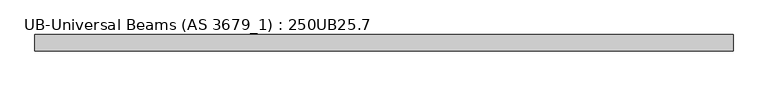
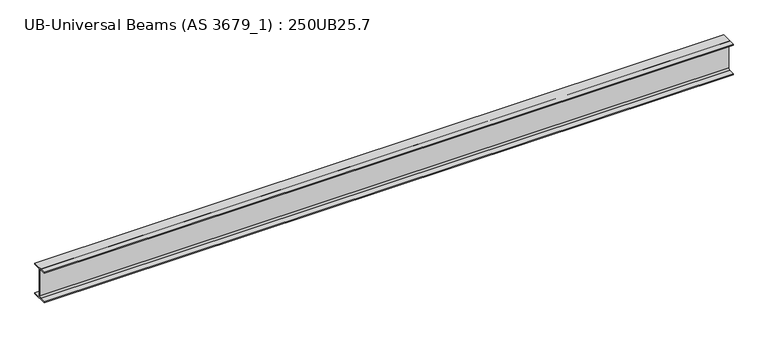
"""IFC4 building model written with IfcOpenShell, lengths in millimetres: beam geometry, UB-Universal Beams (AS 3679_1) : 250UB25.7."""

import ifcopenshell
import ifcopenshell.guid

model = None  # the IFC model being written
_history = None  # IfcOwnerHistory: only IFC2X3 demands one
_inside = {}  # id of a spatial element -> (the spatial element, [elements in it])
_under = {}  # id of a project, library or spatial element -> (it, [spatial elements below it])
_declared = {}  # id of a project -> (the project, [libraries it declares])
_typed = {}  # id of a type object -> (the type object, [elements of that type])
_made_of = {}  # id of a material, layer set ... -> (it, [elements and type objects made of it])


def new_model(schema):
    """Start an empty IFC model of exactly this schema.

    Asked for "IFC4X3", IfcOpenShell would pick the latest addendum, in which some entities
    have other attributes; the version numbers below select the first issue.
    IFC2X3 requires an IfcOwnerHistory on every rooted entity: one is made here for all.
    """
    global model, _history
    if schema == "IFC4X3":
        model = ifcopenshell.file(schema_version=(4, 3, 0, 0))
    else:
        model = ifcopenshell.file(schema=schema)
    _inside.clear()
    _under.clear()
    _declared.clear()
    _typed.clear()
    _made_of.clear()
    _history = None
    if model.schema == "IFC2X3":
        org = make("IfcOrganization", Name="unknown")
        user = make(
            "IfcPersonAndOrganization",
            ThePerson=make("IfcPerson", FamilyName="unknown"),
            TheOrganization=org,
        )
        app = make(
            "IfcApplication",
            ApplicationDeveloper=org,
            Version="unknown",
            ApplicationFullName="unknown",
            ApplicationIdentifier="unknown",
        )
        _history = make(
            "IfcOwnerHistory",
            OwningUser=user,
            OwningApplication=app,
            ChangeAction="ADDED",
            CreationDate=0,
        )
    return model


def make(cls, **values):
    """One entity of the class cls with the attributes given. An attribute that is None is left unset."""
    return model.create_entity(
        cls, **{name: value for name, value in values.items() if value is not None}
    )


def rooted(cls, **values):
    """An entity with a GlobalId (a new one), such as an element, a storey or a relation."""
    return make(cls, GlobalId=ifcopenshell.guid.new(), OwnerHistory=_history, **values)


def si_unit(unit_type, name, prefix=None):
    """IfcSIUnit, for example si_unit("LENGTHUNIT", "METRE", prefix="MILLI")."""
    return make("IfcSIUnit", UnitType=unit_type, Prefix=prefix, Name=name)


def assignment(units):
    """IfcUnitAssignment: the units of a project."""
    return None if units is None else make("IfcUnitAssignment", Units=units)


def point(xyz):
    """IfcCartesianPoint."""
    return None if xyz is None else make("IfcCartesianPoint", Coordinates=xyz)


def direction(xyz):
    """IfcDirection."""
    return None if xyz is None else make("IfcDirection", DirectionRatios=xyz)


def frame(location, z_axis=None, x_axis=None):
    """IfcAxis2Placement3D, a coordinate frame: its origin and axes. An axis left out is left unset."""
    return make(
        "IfcAxis2Placement3D",
        Location=point(location),
        Axis=direction(z_axis),
        RefDirection=direction(x_axis),
    )


def frame_2d(location, x_axis=None):
    """IfcAxis2Placement2D, a coordinate frame in the plane: its origin and x axis."""
    return make(
        "IfcAxis2Placement2D", Location=point(location), RefDirection=direction(x_axis)
    )


def origin():
    """The frame at (0, 0, 0) with its axes left unset."""
    return frame((0.0, 0.0, 0.0))


def place(relative_to, where):
    """IfcLocalPlacement: puts the frame where relative to a parent placement (None: the world)."""
    return make(
        "IfcLocalPlacement", PlacementRelTo=relative_to, RelativePlacement=where
    )


def context(
    kind, dimensions, precision=None, world=None, true_north=None, identifier=None
):
    """IfcGeometricRepresentationContext, for example the 3D "Model" context."""
    return make(
        "IfcGeometricRepresentationContext",
        ContextIdentifier=identifier,
        ContextType=kind,
        CoordinateSpaceDimension=dimensions,
        Precision=precision,
        WorldCoordinateSystem=world,
        TrueNorth=true_north,
    )


def project(units=None, contexts=None):
    """IfcProject with its units and contexts."""
    return rooted(
        "IfcProject",
        Name="project",
        RepresentationContexts=contexts,
        UnitsInContext=assignment(units),
    )


def spatial(cls, under=None, at=None, **own):
    """A site, building, storey or space (cls), placed at a placement, below another one or the project."""
    s = rooted(cls, ObjectPlacement=at, **own)
    if under is not None:
        _under.setdefault(under.id(), (under, []))[1].append(s)
    return s


def polyline(points):
    """IfcPolyline through the points."""
    return make("IfcPolyline", Points=[point(p) for p in points])


def circle_curve(where, radius):
    """IfcCircle in the frame where."""
    return make("IfcCircle", Position=where, Radius=radius)


def trimmed(basis, trim1, trim2, sense, master):
    """IfcTrimmedCurve: the piece of a basis curve between two trims."""
    return make(
        "IfcTrimmedCurve",
        BasisCurve=basis,
        Trim1=trim1,
        Trim2=trim2,
        SenseAgreement=sense,
        MasterRepresentation=master,
    )


def segment(curve, same_sense, transition):
    """IfcCompositeCurveSegment."""
    return make(
        "IfcCompositeCurveSegment",
        Transition=transition,
        SameSense=same_sense,
        ParentCurve=curve,
    )


def composite_curve(segments, self_intersect=None):
    """IfcCompositeCurve: segments joined end to end."""
    return make("IfcCompositeCurve", Segments=segments, SelfIntersect=self_intersect)


def outline(outer, holes=None, kind="AREA"):
    """IfcArbitraryClosedProfileDef: a profile drawn as a closed curve; with holes, ...WithVoids."""
    if holes is None:
        return make("IfcArbitraryClosedProfileDef", ProfileType=kind, OuterCurve=outer)
    return make(
        "IfcArbitraryProfileDefWithVoids",
        ProfileType=kind,
        OuterCurve=outer,
        InnerCurves=holes,
    )


def extrude(swept, where, along, depth):
    """IfcExtrudedAreaSolid: the profile swept, set in the frame where, extruded along a direction by depth."""
    return make(
        "IfcExtrudedAreaSolid",
        SweptArea=swept,
        Position=where,
        ExtrudedDirection=direction(along),
        Depth=depth,
    )


def shape(context_of_items, identifier, shape_type, items):
    """IfcShapeRepresentation: the items that make up one representation, for example the "Body"."""
    return make(
        "IfcShapeRepresentation",
        ContextOfItems=context_of_items,
        RepresentationIdentifier=identifier,
        RepresentationType=shape_type,
        Items=items,
    )


def source(mapping_origin, context_of_items, identifier, shape_type, items):
    """IfcRepresentationMap: a shape defined once, which mapped items show again and again."""
    return make(
        "IfcRepresentationMap",
        MappingOrigin=mapping_origin,
        MappedRepresentation=shape(context_of_items, identifier, shape_type, items),
    )


def transform(
    local_origin,
    x_axis=None,
    y_axis=None,
    z_axis=None,
    scale=None,
    scale2=None,
    scale3=None,
    uniform=True,
):
    """IfcCartesianTransformationOperator3D, or its non-uniform kind. x_axis, y_axis, z_axis: its Axis1, 2, 3."""
    if uniform:
        return make(
            "IfcCartesianTransformationOperator3D",
            Axis1=direction(x_axis),
            Axis2=direction(y_axis),
            LocalOrigin=point(local_origin),
            Scale=scale,
            Axis3=direction(z_axis),
        )
    return make(
        "IfcCartesianTransformationOperator3DnonUniform",
        Axis1=direction(x_axis),
        Axis2=direction(y_axis),
        LocalOrigin=point(local_origin),
        Scale=scale,
        Axis3=direction(z_axis),
        Scale2=scale2,
        Scale3=scale3,
    )


def mapped(mapping_source, mapping_target):
    """IfcMappedItem: shows the shape of a source again, moved by a transform."""
    return make(
        "IfcMappedItem", MappingSource=mapping_source, MappingTarget=mapping_target
    )


def made_of(thing, what):
    """Note that an element or type object is made of a material, layer set ...; save() writes the relation."""
    if what is not None:
        _made_of.setdefault(what.id(), (what, []))[1].append(thing)
    return thing


def element(
    cls,
    number,
    at=None,
    inside=None,
    cuts=None,
    type_object=None,
    material=None,
    context=None,
    identifier="Body",
    shape_type=None,
    held_by="IfcProductDefinitionShape",
    body=None,
    shapes=None,
    **own,
):
    """One element of the class cls, such as IfcWall. Its Tag is "e" and its number.

    at: its placement. inside: the storey or other place that contains it. cuts: it is an
    opening in that element (IfcRelVoidsElement). A single representation is given by context,
    identifier, shape_type and body (its items); several are given by shapes. held_by: the class
    of the entity that holds the representations. save() writes the other relations.
    """
    e = rooted(cls, Tag="e%d" % number, ObjectPlacement=at, **own)
    if body is not None:
        shapes = [shape(context, identifier, shape_type, body)]
    if shapes is not None:
        e.Representation = make(held_by, Representations=shapes)
    if inside is not None:
        _inside.setdefault(inside.id(), (inside, []))[1].append(e)
    if cuts is not None:
        rooted(
            "IfcRelVoidsElement", RelatingBuildingElement=cuts, RelatedOpeningElement=e
        )
    if type_object is not None:
        _typed.setdefault(type_object.id(), (type_object, []))[1].append(e)
    return made_of(e, material)


def aggregate(whole, parts):
    """IfcRelAggregates: a whole, such as a stair, and the parts it consists of."""
    return rooted("IfcRelAggregates", RelatingObject=whole, RelatedObjects=parts)


def save(model, path):
    """Write the relations noted so far, then the file.

    IfcRelAggregates (storeys below a building ...), IfcRelContainedInSpatialStructure (elements
    in a storey), IfcRelDefinesByType, IfcRelAssociatesMaterial and IfcRelDeclares: one each for
    every whole, place, type object, material and project.
    """
    for whole, parts in _under.values():
        aggregate(whole, parts)
    for where, things in _inside.values():
        rooted(
            "IfcRelContainedInSpatialStructure",
            RelatedElements=things,
            RelatingStructure=where,
        )
    for kind, things in _typed.values():
        rooted("IfcRelDefinesByType", RelatedObjects=things, RelatingType=kind)
    for what, things in _made_of.values():
        rooted("IfcRelAssociatesMaterial", RelatedObjects=things, RelatingMaterial=what)
    for by, libraries in _declared.values():
        rooted("IfcRelDeclares", RelatingContext=by, RelatedDefinitions=libraries)
    model.write(path)


def ub_universal_beams_as_3679_1_250ub25_7_e4394c00(model_context):
    return source(origin(), model_context, "Body", "SweptSolid", [
        extrude(outline(composite_curve([segment(polyline([(62.0, -116.0), (62.0, -124.0), (-62.0, -124.0), (-62.0, -116.0), (-14.5, -116.0)]), True, "CONTINUOUS"), segment(trimmed(circle_curve(frame_2d((-14.5, -104.0)), 12.0), [point((-14.5, -116.0))], [point((-2.5, -104.0))], True, "CARTESIAN"), True, "CONTINUOUS"), segment(polyline([(-2.5, -104.0), (-2.5, 104.0)]), True, "CONTINUOUS"), segment(trimmed(circle_curve(frame_2d((-14.5, 104.0)), 12.0), [point((-2.5, 104.0))], [point((-14.5, 116.0))], True, "CARTESIAN"), True, "CONTINUOUS"), segment(polyline([(-14.5, 116.0), (-62.0, 116.0), (-62.0, 124.0), (62.0, 124.0), (62.0, 116.0), (14.5, 116.0)]), True, "CONTINUOUS"), segment(trimmed(circle_curve(frame_2d((14.5, 104.0)), 12.0), [point((14.5, 116.0))], [point((2.5, 104.0))], True, "CARTESIAN"), True, "CONTINUOUS"), segment(polyline([(2.5, 104.0), (2.5, -104.0)]), True, "CONTINUOUS"), segment(trimmed(circle_curve(frame_2d((14.5, -104.0)), 12.0), [point((2.5, -104.0))], [point((14.5, -116.0))], True, "CARTESIAN"), True, "CONTINUOUS"), segment(polyline([(14.5, -116.0), (62.0, -116.0)]), True, "CONTINUOUS")], self_intersect=False)), frame((-2678.7, 0.0, 0.0), z_axis=(1.0, 0.0, 0.0), x_axis=(0.0, 1.0, 0.0)), (0.0, 0.0, 1.0), 5282.5),
    ])


if __name__ == "__main__":
    model = new_model("IFC4")
    model_context = context("Model", 3, world=origin())
    ifc_project = project(units=[si_unit("LENGTHUNIT", "METRE", prefix="MILLI")], contexts=[model_context])
    site = spatial("IfcSite", under=ifc_project)
    building = spatial("IfcBuilding", under=site)
    placement = place(None, origin())
    ub_universal_beams_as_3679_1_250ub25_7_shape = ub_universal_beams_as_3679_1_250ub25_7_e4394c00(model_context)
    element("IfcBeam", 1, ObjectType="UB-Universal Beams (AS 3679_1) : 250UB25.7", at=placement, inside=building, context=model_context, shape_type="MappedRepresentation", body=[
        mapped(ub_universal_beams_as_3679_1_250ub25_7_shape, transform((0.0, 0.0, 0.0), x_axis=(1.0, 0.0, 0.0), y_axis=(0.0, 1.0, 0.0), z_axis=(0.0, 0.0, 1.0))),
    ])
    save(model, "model.ifc")
